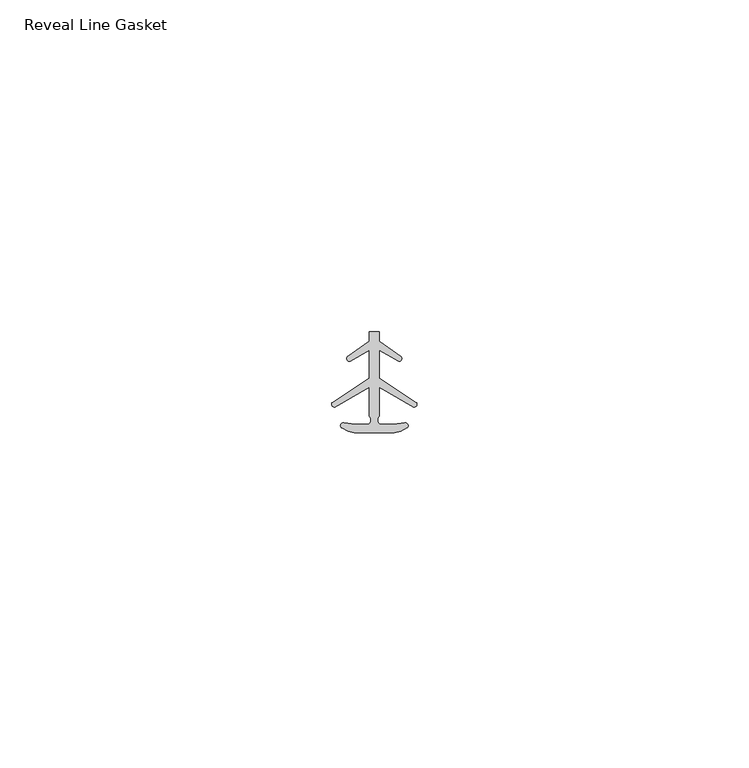
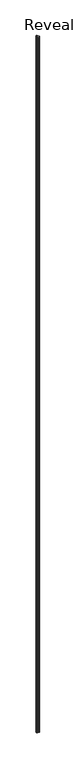
"""IFC4 building model written with IfcOpenShell, lengths in millimetres: proxy geometry, Reveal Line Gasket."""

from ifc_helpers import new_model, si_unit, point, frame, frame_2d, origin, place, context, project, spatial, polyline, circle_curve, trimmed, segment, composite_curve, outline, extrude, source, transform, mapped, element, save


def reveal_line_gasket_912328f5(model_context):
    return source(origin(), model_context, "Body", "SweptSolid", [
        extrude(outline(composite_curve([segment(polyline([(2.999107, -7.6326998), (-3.000893, -7.6326998), (-3.9563857, -7.4091917), (-4.8893614, -6.8813059)]), True, "CONTINUOUS"), segment(trimmed(circle_curve(frame_2d((-4.6873723, -6.5243141)), 0.4101739), [point((-4.8893614, -6.8813059))], [point((-4.5950277, -6.1246704))], False, "CARTESIAN"), True, "CONTINUOUS"), segment(polyline([(-4.5950277, -6.1246704), (-2.8988015, -6.3626997), (-0.8663457, -6.3626997)]), True, "CONTINUOUS"), segment(trimmed(circle_curve(frame_2d((-1.2828188, -5.6959605)), 0.786124), [point((-0.8663457, -6.3626997))], [point((-0.778768, -5.0926996))], True, "CARTESIAN"), True, "CONTINUOUS"), segment(polyline([(-0.778768, -5.0926996), (-0.778768, -0.7492996), (-5.9404224, -3.7293824)]), True, "CONTINUOUS"), segment(trimmed(circle_curve(frame_2d((-6.0058691, -3.3132479)), 0.4212495), [point((-5.9404224, -3.7293824))], [point((-6.3335288, -3.0485022))], False, "CARTESIAN"), True, "CONTINUOUS"), segment(polyline([(-6.3335288, -3.0485022), (-0.778768, 0.5742594), (-0.778768, 4.8262978), (-3.6544226, 3.1660374)]), True, "CONTINUOUS"), segment(trimmed(circle_curve(frame_2d((-3.7127785, 3.5978728)), 0.4357605), [point((-3.6544226, 3.1660374))], [point((-4.0575811, 3.864328))], False, "CARTESIAN"), True, "CONTINUOUS"), segment(polyline([(-4.0575811, 3.864328), (-0.778768, 6.1944059), (-0.778768, 7.6326998), (0.7769821, 7.6326998), (0.7769821, 6.1944059), (4.0557951, 3.864328)]), True, "CONTINUOUS"), segment(trimmed(circle_curve(frame_2d((3.7109925, 3.5978728)), 0.4357605), [point((4.0557951, 3.864328))], [point((3.6526367, 3.1660374))], False, "CARTESIAN"), True, "CONTINUOUS"), segment(polyline([(3.6526367, 3.1660374), (0.7769821, 4.8262978), (0.7769821, 0.5742594), (6.3317429, -3.0485022)]), True, "CONTINUOUS"), segment(trimmed(circle_curve(frame_2d((6.0040832, -3.3132479)), 0.4212495), [point((6.3317429, -3.0485022))], [point((5.9386365, -3.7293824))], False, "CARTESIAN"), True, "CONTINUOUS"), segment(polyline([(5.9386365, -3.7293824), (0.7769821, -0.7492996), (0.7769821, -5.0926996)]), True, "CONTINUOUS"), segment(trimmed(circle_curve(frame_2d((1.2810328, -5.6959605)), 0.786124), [point((0.7769821, -5.0926996))], [point((0.8645598, -6.3626997))], True, "CARTESIAN"), True, "CONTINUOUS"), segment(polyline([(0.8645598, -6.3626997), (2.8970156, -6.3626997), (4.5932418, -6.1246704)]), True, "CONTINUOUS"), segment(trimmed(circle_curve(frame_2d((4.6855864, -6.5243141)), 0.4101739), [point((4.5932418, -6.1246704))], [point((4.8875754, -6.8813059))], False, "CARTESIAN"), True, "CONTINUOUS"), segment(polyline([(4.8875754, -6.8813059), (3.9545998, -7.4091917), (2.999107, -7.6326998)]), True, "CONTINUOUS")], self_intersect=False)), frame((0.0, 0.0, 84.836), z_axis=(0.0, 0.0, 1.0), x_axis=(1.0, 0.0, 0.0)), (0.0, 0.0, 1.0), 2953.6564946),
    ])


if __name__ == "__main__":
    model = new_model("IFC4")
    model_context = context("Model", 3, world=origin())
    ifc_project = project(units=[si_unit("LENGTHUNIT", "METRE", prefix="MILLI")], contexts=[model_context])
    site = spatial("IfcSite", under=ifc_project)
    building = spatial("IfcBuilding", under=site)
    placement = place(None, origin())
    reveal_line_gasket_shape = reveal_line_gasket_912328f5(model_context)
    element("IfcBuildingElementProxy", 1, Name="Reveal Line Gasket", ObjectType="Reveal Line Gasket", at=placement, inside=building, context=model_context, shape_type="MappedRepresentation", body=[
        mapped(reveal_line_gasket_shape, transform((0.0, 0.0, 0.0), x_axis=(1.0, 0.0, 0.0), y_axis=(0.0, 1.0, 0.0), z_axis=(0.0, 0.0, 1.0))),
    ])
    save(model, "model.ifc")
